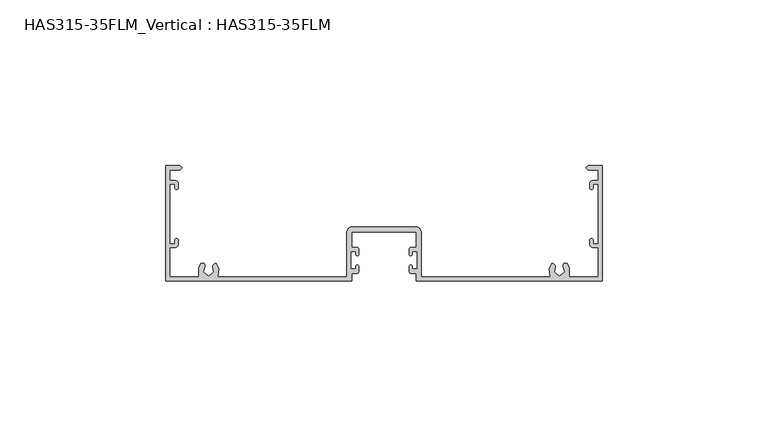
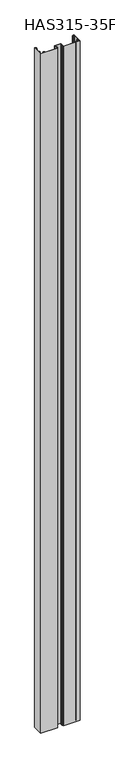
"""IFC4 building model written with IfcOpenShell, lengths in millimetres: beam geometry, HAS315-35FLM_Vertical : HAS315-35FLM."""

from ifc_helpers import new_model, si_unit, point, frame, frame_2d, origin, place, context, project, spatial, polyline, circle_curve, trimmed, segment, composite_curve, outline, extrude, source, transform, mapped, element, save


def has315_35flm_vertical_has315_35flm_ae1c4655(model_context):
    return source(origin(), model_context, "Body", "SweptSolid", [
        extrude(outline(composite_curve([segment(polyline([(-64.7266881, 30.3472669), (-63.0289389, 30.3472669)]), True, "CONTINUOUS"), segment(trimmed(circle_curve(frame_2d((-63.0289389, 29.4983923)), 0.8488746), [point((-63.0289389, 30.3472669))], [point((-62.1800643, 29.4983923))], False, "CARTESIAN"), True, "CONTINUOUS"), segment(polyline([(-62.1800643, 29.4983923), (-62.1800643, 28.2250804)]), True, "CONTINUOUS"), segment(trimmed(circle_curve(frame_2d((-62.7106109, 28.2250804)), 0.5305466), [point((-62.1800643, 28.2250804))], [point((-63.2411576, 28.2250804))], False, "CARTESIAN"), True, "CONTINUOUS"), segment(polyline([(-63.2411576, 28.2250804), (-63.2411576, 29.2861736), (-64.7266881, 29.2861736), (-64.7266881, 11.2475884), (-63.2411576, 11.2475884), (-63.2411576, 12.3086817)]), True, "CONTINUOUS"), segment(trimmed(circle_curve(frame_2d((-62.7106109, 12.3086817)), 0.5305466), [point((-63.2411576, 12.3086817))], [point((-62.1800643, 12.3086817))], False, "CARTESIAN"), True, "CONTINUOUS"), segment(polyline([(-62.1800643, 12.3086817), (-62.1800643, 11.0353698)]), True, "CONTINUOUS"), segment(trimmed(circle_curve(frame_2d((-63.0289389, 11.0353698)), 0.8488746), [point((-62.1800643, 11.0353698))], [point((-63.0289389, 10.1864952))], False, "CARTESIAN"), True, "CONTINUOUS"), segment(polyline([(-63.0289389, 10.1864952), (-64.7266881, 10.1864952), (-64.7266881, 1.2733119), (-56.0257235, 1.2733119), (-56.0257235, 3.8199357), (-55.3890675, 5.3054662), (-54.4403253, 5.5426518)]), True, "CONTINUOUS"), segment(trimmed(circle_curve(frame_2d((-55.4032154, 4.6122186)), 1.3389784), [point((-54.4403253, 5.5426518))], [point((-54.1157556, 4.244373))], False, "CARTESIAN"), True, "CONTINUOUS"), segment(polyline([(-54.1157556, 4.244373), (-54.5401929, 2.7588424), (-52.9485531, 1.4324759), (-51.3569132, 2.7588424), (-51.7813505, 4.244373)]), True, "CONTINUOUS"), segment(trimmed(circle_curve(frame_2d((-50.7202572, 4.244373)), 1.0610932), [point((-51.7813505, 4.244373))], [point((-50.7202572, 5.3054662))], False, "CARTESIAN"), True, "CONTINUOUS"), segment(polyline([(-50.7202572, 5.3054662), (-49.8713826, 3.607717), (-50.1631833, 1.2733119), (-11.2475884, 1.2733119), (-11.2475884, 15.0675241), (-10.8231511, 15.9163987), (-9.9742765, 16.340836), (9.9742765, 16.340836), (10.8231511, 15.9163987), (11.2475884, 15.0675241), (11.2475884, 1.2733119), (50.1631833, 1.2733119), (49.8713826, 3.607717), (50.7202572, 5.3054662)]), True, "CONTINUOUS"), segment(trimmed(circle_curve(frame_2d((50.7202572, 4.244373)), 1.0610932), [point((50.7202572, 5.3054662))], [point((51.7813505, 4.244373))], False, "CARTESIAN"), True, "CONTINUOUS"), segment(polyline([(51.7813505, 4.244373), (51.3569132, 2.7588424), (52.9485531, 1.4324759), (54.5401929, 2.7588424), (54.1157556, 4.244373)]), True, "CONTINUOUS"), segment(trimmed(circle_curve(frame_2d((55.4032154, 4.6122186)), 1.3389784), [point((54.1157556, 4.244373))], [point((54.4403253, 5.5426518))], False, "CARTESIAN"), True, "CONTINUOUS"), segment(polyline([(54.4403253, 5.5426518), (55.3890675, 5.3054662), (56.0257235, 3.8199357), (56.0257235, 1.2733119), (64.7266881, 1.2733119), (64.7266881, 10.1864952), (63.0289389, 10.1864952)]), True, "CONTINUOUS"), segment(trimmed(circle_curve(frame_2d((63.0289389, 11.0353698)), 0.8488746), [point((63.0289389, 10.1864952))], [point((62.1800643, 11.0353698))], False, "CARTESIAN"), True, "CONTINUOUS"), segment(polyline([(62.1800643, 11.0353698), (62.1800643, 12.3086817)]), True, "CONTINUOUS"), segment(trimmed(circle_curve(frame_2d((62.7106109, 12.3086817)), 0.5305466), [point((62.1800643, 12.3086817))], [point((63.2411576, 12.3086817))], False, "CARTESIAN"), True, "CONTINUOUS"), segment(polyline([(63.2411576, 12.3086817), (63.2411576, 11.2475884), (64.7266881, 11.2475884), (64.7266881, 29.2861736), (63.2411576, 29.2861736), (63.2411576, 28.2250804)]), True, "CONTINUOUS"), segment(trimmed(circle_curve(frame_2d((62.7106109, 28.2250804)), 0.5305466), [point((63.2411576, 28.2250804))], [point((62.1800643, 28.2250804))], False, "CARTESIAN"), True, "CONTINUOUS"), segment(polyline([(62.1800643, 28.2250804), (62.1800643, 29.4983923)]), True, "CONTINUOUS"), segment(trimmed(circle_curve(frame_2d((63.0289389, 29.4983923)), 0.8488746), [point((62.1800643, 29.4983923))], [point((63.0289389, 30.3472669))], False, "CARTESIAN"), True, "CONTINUOUS"), segment(polyline([(63.0289389, 30.3472669), (64.7266881, 30.3472669), (64.7266881, 33.5144695), (61.755627, 33.5144695), (60.9067524, 34.3633441), (61.755627, 35.0), (66.0, 35.0), (66.0, 0.0), (9.7620579, 0.0), (9.7620579, 2.3344051), (8.2722731, 2.3344051)]), True, "CONTINUOUS"), segment(trimmed(circle_curve(frame_2d((8.2722731, 2.9668069)), 0.6324017), [point((8.2722731, 2.3344051))], [point((7.6398714, 2.9668069))], False, "CARTESIAN"), True, "CONTINUOUS"), segment(polyline([(7.6398714, 2.9668069), (7.6398714, 4.407717)]), True, "CONTINUOUS"), segment(trimmed(circle_curve(frame_2d((8.0643087, 4.407717)), 0.4244373), [point((7.6398714, 4.407717))], [point((8.488746, 4.407717))], False, "CARTESIAN"), True, "CONTINUOUS"), segment(polyline([(8.488746, 4.407717), (8.488746, 3.607717), (9.9742765, 3.607717), (9.9742765, 8.9131833), (8.488746, 8.9131833), (8.488746, 8.077536)]), True, "CONTINUOUS"), segment(trimmed(circle_curve(frame_2d((8.0643087, 8.077536)), 0.4244373), [point((8.488746, 8.077536))], [point((7.6398714, 8.077536))], False, "CARTESIAN"), True, "CONTINUOUS"), segment(polyline([(7.6398714, 8.077536), (7.6398714, 9.6248456)]), True, "CONTINUOUS"), segment(trimmed(circle_curve(frame_2d((8.201521, 9.6248456)), 0.5616496), [point((7.6398714, 9.6248456))], [point((8.201521, 10.1864952))], False, "CARTESIAN"), True, "CONTINUOUS"), segment(polyline([(8.201521, 10.1864952), (9.7620579, 10.1864952), (9.7620579, 14.8553055), (-9.7620579, 14.8553055), (-9.7620579, 10.1864952), (-8.201521, 10.1864952)]), True, "CONTINUOUS"), segment(trimmed(circle_curve(frame_2d((-8.201521, 9.6248456)), 0.5616496), [point((-8.201521, 10.1864952))], [point((-7.6398714, 9.6248456))], False, "CARTESIAN"), True, "CONTINUOUS"), segment(polyline([(-7.6398714, 9.6248456), (-7.6398714, 8.077536)]), True, "CONTINUOUS"), segment(trimmed(circle_curve(frame_2d((-8.0643087, 8.077536)), 0.4244373), [point((-7.6398714, 8.077536))], [point((-8.488746, 8.077536))], False, "CARTESIAN"), True, "CONTINUOUS"), segment(polyline([(-8.488746, 8.077536), (-8.488746, 8.9131833), (-9.9742765, 8.9131833), (-9.9742765, 3.607717), (-8.488746, 3.607717), (-8.488746, 4.407717)]), True, "CONTINUOUS"), segment(trimmed(circle_curve(frame_2d((-8.0643087, 4.407717)), 0.4244373), [point((-8.488746, 4.407717))], [point((-7.6398714, 4.407717))], False, "CARTESIAN"), True, "CONTINUOUS"), segment(polyline([(-7.6398714, 4.407717), (-7.6398714, 2.9668069)]), True, "CONTINUOUS"), segment(trimmed(circle_curve(frame_2d((-8.2722731, 2.9668069)), 0.6324017), [point((-7.6398714, 2.9668069))], [point((-8.2722731, 2.3344051))], False, "CARTESIAN"), True, "CONTINUOUS"), segment(polyline([(-8.2722731, 2.3344051), (-9.7620579, 2.3344051), (-9.7620579, 0.0), (-66.0, 0.0), (-66.0, 35.0), (-61.755627, 35.0), (-60.9067524, 34.3633441), (-61.755627, 33.5144695), (-64.7266881, 33.5144695), (-64.7266881, 30.3472669)]), True, "CONTINUOUS")], self_intersect=False)), frame((0.0, 0.0, -1200.0), z_axis=(0.0, 0.0, 1.0), x_axis=(1.0, 0.0, 0.0)), (0.0, 0.0, 1.0), 2400.0),
    ])


if __name__ == "__main__":
    model = new_model("IFC4")
    model_context = context("Model", 3, world=origin())
    ifc_project = project(units=[si_unit("LENGTHUNIT", "METRE", prefix="MILLI")], contexts=[model_context])
    site = spatial("IfcSite", under=ifc_project)
    building = spatial("IfcBuilding", under=site)
    placement = place(None, origin())
    has315_35flm_vertical_has315_35flm_shape = has315_35flm_vertical_has315_35flm_ae1c4655(model_context)
    element("IfcBeam", 1, ObjectType="HAS315-35FLM_Vertical : HAS315-35FLM", at=placement, inside=building, context=model_context, shape_type="MappedRepresentation", body=[
        mapped(has315_35flm_vertical_has315_35flm_shape, transform((0.0, 0.0, 0.0), x_axis=(1.0, 0.0, 0.0), y_axis=(0.0, 1.0, 0.0), z_axis=(0.0, 0.0, 1.0))),
    ])
    save(model, "model.ifc")
